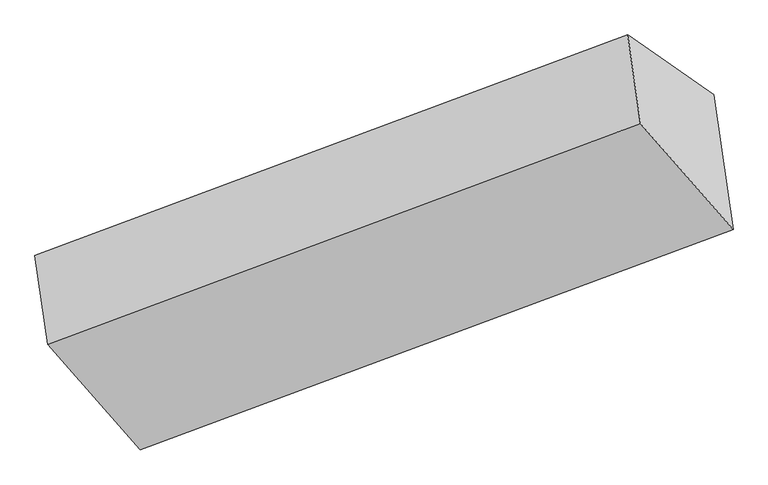
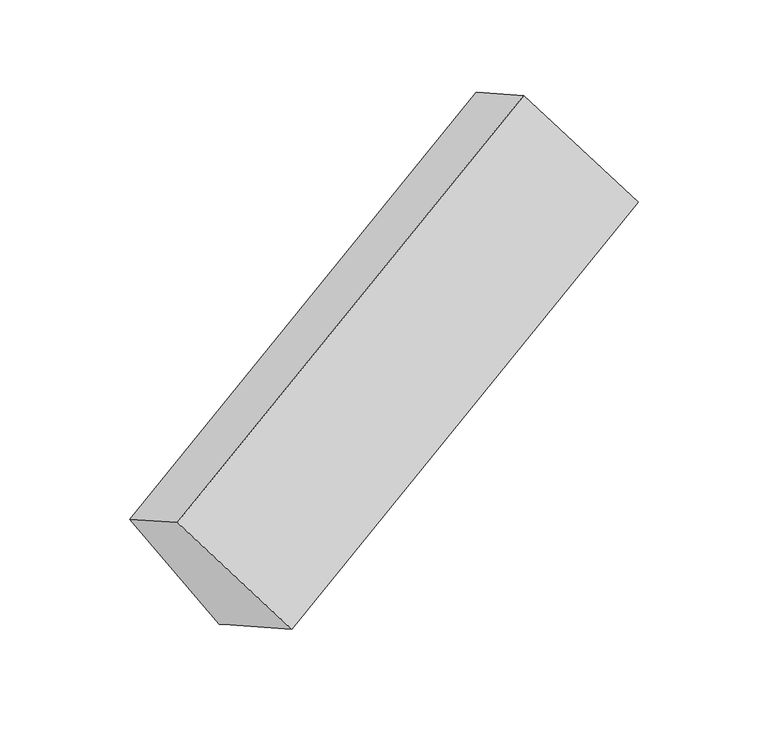
"""IFC4 building model written with IfcOpenShell, lengths in millimetres: proxy geometry."""

from ifc_helpers import new_model, si_unit, origin, place, context, project, spatial, faceted_brep, source, transform, mapped, element, save


def generic_models_7f4b59d7(model_context):
    return source(origin(), model_context, "Body", "Brep", [
        faceted_brep([(-4165.0267205, -1667.314167, 1548.1925097), (-4116.1406082, -2010.5955263, 1720.7391249), (-1823.5863937, -1156.9253938, 2747.1396819), (-1872.4725061, -813.6440345, 2574.5930667), (-3832.2984815, -1897.8746092, 995.2237253), (-1539.7442671, -1044.2044767, 2021.6242823), (-3828.2439172, -1926.3460154, 1009.5345658), (-1535.6897027, -1072.675883, 2035.9351228), (-3757.989323, -2419.6781995, 1257.5025845), (-1465.4351085, -1566.008067, 2283.9031415)], [[[0, 1, 2, 3]], [[4, 0, 5]], [[6, 4, 5, 7]], [[8, 6, 7, 9]], [[1, 8, 9, 2]], [[7, 5, 3, 2, 9]], [[1, 0, 4, 6, 8]], [[3, 5, 0]]]),
    ])


if __name__ == "__main__":
    model = new_model("IFC4")
    model_context = context("Model", 3, world=origin())
    ifc_project = project(units=[si_unit("LENGTHUNIT", "METRE", prefix="MILLI")], contexts=[model_context])
    site = spatial("IfcSite", under=ifc_project)
    building = spatial("IfcBuilding", under=site)
    placement = place(None, origin())
    generic_models_shape = generic_models_7f4b59d7(model_context)
    element("IfcBuildingElementProxy", 1, Name="Generic Models", at=placement, inside=building, context=model_context, shape_type="MappedRepresentation", body=[
        mapped(generic_models_shape, transform((0.0, 0.0, 0.0), x_axis=(1.0, 0.0, 0.0), y_axis=(0.0, 1.0, 0.0), z_axis=(0.0, 0.0, 1.0))),
    ])
    save(model, "model.ifc")
